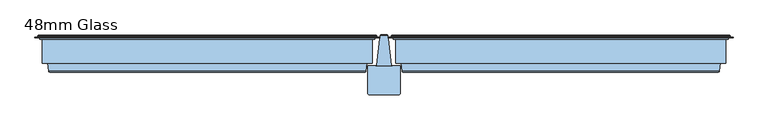
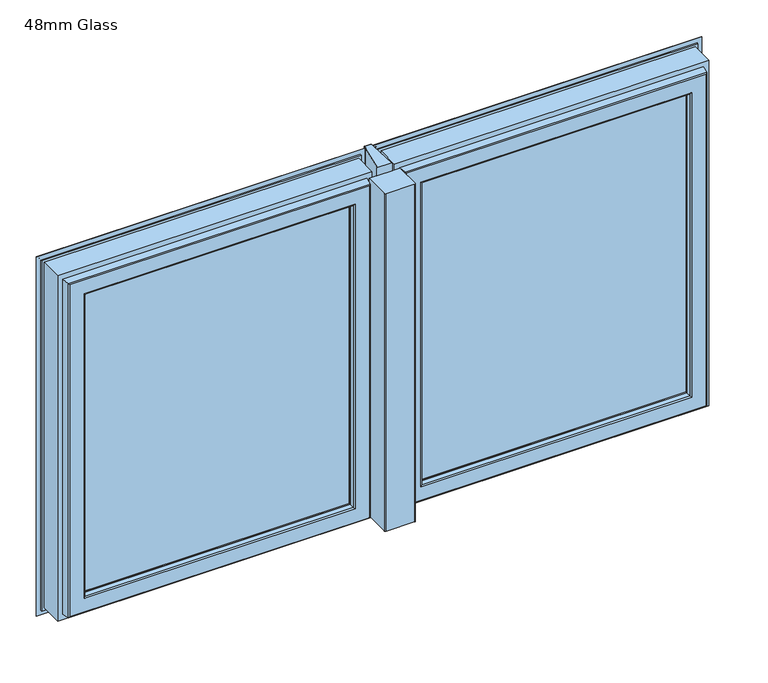
"""IFC4 building model written with IfcOpenShell, lengths in millimetres: window geometry, 48mm Glass."""

from ifc_helpers import new_model, si_unit, frame, origin, place, context, project, spatial, polyline, circle_curve, ellipse_curve, outline, extrude, source, transform, mapped, element, save
from ifc_brep_helpers import plane_surface, cylinder_surface, revolved_surface, advanced_brep


def window_48mm_glass_f120173b(model_context):
    return source(origin(), model_context, "Body", "SolidModel", [
        advanced_brep(
        [(-16.3270879, 91.0, 862.0), (-33.0, 91.0, 862.0), (-33.0, 91.0, 1626.0), (-16.3270879, 91.0, 1626.0), (-33.0, 35.0, 862.0), (-33.0, 35.0, 1626.0), (-30.0, 32.0, 862.0), (30.0, 32.0, 862.0), (30.0, 32.0, 1626.0), (-30.0, 32.0, 1626.0), (33.0, 35.0, 862.0), (33.0, 91.0, 862.0), (33.0, 91.0, 1626.0), (33.0, 35.0, 1626.0), (16.3270879, 91.0, 862.0), (16.3270879, 91.0, 1626.0), (14.8419376, 92.2894565, 843.8416747), (8.1893048, 146.5609347, 837.177975), (8.1893048, 146.5609347, 1650.822025), (14.8419376, 92.2894565, 1644.1583253), (-8.1893048, 146.5609347, 837.177975), (-14.8419376, 92.2894565, 843.8416747), (-14.8419376, 92.2894565, 1644.1583253), (-8.1893048, 146.5609347, 1650.822025), (-16.3270879, 91.0, 844.0), (16.3270879, 91.0, 844.0), (7.4, 153.0, 836.4), (-7.4, 153.0, 836.4), (-6.4, 154.0, 836.4), (6.4, 154.0, 836.4), (-7.4, 148.3029671, 836.9640803), (7.4, 148.3029671, 836.9640803), (16.3270879, 91.0, 1644.0), (-16.3270879, 91.0, 1644.0), (-7.4, 153.0, 1651.6), (7.4, 153.0, 1651.6), (6.4, 154.0, 1651.6), (-6.4, 154.0, 1651.6), (7.4, 148.3029671, 1651.0359197), (-7.4, 148.3029671, 1651.0359197)],
        [
            (0, 1),
            (1, 2),
            (2, 3),
            (3, 0),
            (1, 4),
            (4, 5),
            (5, 2),
            (6, 7),
            (7, 8),
            (8, 9),
            (9, 6),
            (10, 11),
            (11, 12),
            (12, 13),
            (13, 10),
            (11, 14),
            (14, 15),
            (15, 12),
            (16, 17),
            (17, 18),
            (18, 19),
            (19, 16),
            (20, 21),
            (21, 22),
            (22, 23),
            (23, 20),
            (14, 0),
            (0, 24),
            (24, 25),
            (25, 14),
            (10, 7, circle_curve(frame((30.0, 35.0, 862.0), z_axis=(0.0, 0.0, -1.0), x_axis=(1.0, 0.0, 0.0)), 3.0)),
            (6, 4, circle_curve(frame((-30.0, 35.0, 862.0), z_axis=(0.0, 0.0, -1.0), x_axis=(1.0, 0.0, 0.0)), 3.0)),
            (26, 27),
            (27, 28, circle_curve(frame((-6.4, 153.0, 836.4), z_axis=(0.0, 0.0, -1.0), x_axis=(1.0, 0.0, 0.0)), 1.0)),
            (28, 29),
            (29, 26, circle_curve(frame((6.4, 153.0, 836.4), z_axis=(0.0, 0.0, -1.0), x_axis=(1.0, 0.0, 0.0)), 1.0)),
            (24, 21, ellipse_curve(frame((-16.3270879, 92.5, 843.8158232), z_axis=(0.0, 0.12186934340514982, 0.9925461516413218), x_axis=(0.0, 0.992546151641322, -0.12186934340514925)), 1.5112647, 1.5)),
            (20, 30),
            (30, 27),
            (26, 31),
            (31, 17),
            (16, 25, ellipse_curve(frame((16.3270879, 92.5, 843.8158232), z_axis=(0.0, 0.12186934340514982, 0.9925461516413218), x_axis=(0.0, 0.992546151641322, -0.12186934340514925)), 1.5112647, 1.5)),
            (3, 15),
            (15, 32),
            (32, 33),
            (33, 3),
            (5, 9, circle_curve(frame((-30.0, 35.0, 1626.0), z_axis=(0.0, 0.0, 1.0), x_axis=(1.0, 0.0, 0.0)), 3.0)),
            (8, 13, circle_curve(frame((30.0, 35.0, 1626.0), z_axis=(0.0, 0.0, 1.0), x_axis=(1.0, 0.0, 0.0)), 3.0)),
            (34, 35),
            (35, 36, circle_curve(frame((6.4, 153.0, 1651.6), z_axis=(0.0, 0.0, 1.0), x_axis=(1.0, 0.0, 0.0)), 1.0)),
            (36, 37),
            (37, 34, circle_curve(frame((-6.4, 153.0, 1651.6), z_axis=(0.0, 0.0, 1.0), x_axis=(1.0, 0.0, 0.0)), 1.0)),
            (32, 19, ellipse_curve(frame((16.3270879, 92.5, 1644.1841768), z_axis=(0.0, 0.12186934340515176, -0.9925461516413215), x_axis=(0.0, -0.9925461516413217, -0.12186934340515095)), 1.5112647, 1.5)),
            (18, 38),
            (38, 35),
            (34, 39),
            (39, 23),
            (22, 33, ellipse_curve(frame((-16.3270879, 92.5, 1644.1841768), z_axis=(0.0, 0.12186934340515176, -0.9925461516413215), x_axis=(0.0, -0.9925461516413217, -0.12186934340515095)), 1.5112647, 1.5)),
            (31, 38),
            (26, 35),
            (29, 36),
            (28, 37),
            (27, 34),
            (30, 39),
        ],
        [
            plane_surface(frame((-16.3270879, 91.0, 1676.0), z_axis=(0.0, 1.0, 0.0), x_axis=(0.0, 0.0, -1.0))),
            plane_surface(frame((-33.0, 91.0, 1676.0), z_axis=(-1.0, 0.0, 0.0), x_axis=(0.0, 0.0, -1.0))),
            plane_surface(frame((-30.0, 32.0, 1676.0), z_axis=(0.0, -1.0, 0.0), x_axis=(0.0, 0.0, -1.0))),
            plane_surface(frame((33.0, 35.0, 1676.0), z_axis=(1.0, 0.0, 0.0), x_axis=(0.0, 0.0, -1.0))),
            plane_surface(frame((33.0, 91.0, 1676.0), z_axis=(0.0, 1.0, 0.0), x_axis=(0.0, 0.0, -1.0))),
            plane_surface(frame((14.8419376, 92.2894565, 1676.0), z_axis=(0.992570614202236, 0.12166994625706033, 0.0), x_axis=(0.0, 0.0, -1.0))),
            plane_surface(frame((-8.1893048, 146.5609347, 1676.0), z_axis=(-0.9925706142022382, 0.1216699462570421, 0.0), x_axis=(0.0, 0.0, -1.0))),
            plane_surface(frame((250.0, 91.0, 844.0), z_axis=(0.0, -1.0, 0.0), x_axis=(-1.0, 0.0, 0.0))),
            plane_surface(frame((250.0, 91.0, 862.0), z_axis=(0.0, 0.0, -1.0), x_axis=(-1.0, 0.0, 0.0))),
            plane_surface(frame((250.0, 154.0, 836.4), z_axis=(0.0, 0.0, -1.0), x_axis=(-1.0, 0.0, 0.0))),
            plane_surface(frame((250.0, 152.8970329, 836.4), z_axis=(0.0, -0.12186934340514982, -0.9925461516413218), x_axis=(-1.0, 0.0, 0.0))),
            plane_surface(frame((250.0, 91.0, 1626.0), z_axis=(0.0, -1.0, 0.0), x_axis=(-1.0, 0.0, 0.0))),
            plane_surface(frame((250.0, 32.0, 1626.0), z_axis=(0.0, 0.0, 1.0), x_axis=(-1.0, 0.0, 0.0))),
            plane_surface(frame((250.0, 152.8970329, 1651.6), z_axis=(0.0, 0.0, 1.0), x_axis=(-1.0, 0.0, 0.0))),
            plane_surface(frame((250.0, 91.0, 1644.0), z_axis=(0.0, -0.12186934340515176, 0.9925461516413215), x_axis=(-1.0, 0.0, 0.0))),
            revolved_surface(polyline([(-14.827087899999999, 92.5, 843.6316463632995), (-14.827087899999999, 92.5, 1644.3683536367002)]), (-16.3270879, 92.5, 812.0), (0.0, 0.0, -1.0)),
            cylinder_surface(frame((-30.0, 35.0, 812.0), z_axis=(0.0, 0.0, 1.0), x_axis=(1.0, 0.0, 0.0)), 3.0),
            cylinder_surface(frame((30.0, 35.0, 812.0), z_axis=(0.0, 0.0, 1.0), x_axis=(1.0, 0.0, 0.0)), 3.0),
            revolved_surface(polyline([(17.8270879, 92.5, 843.6316463632995), (17.8270879, 92.5, 1644.3683536367002)]), (16.3270879, 92.5, 812.0), (0.0, 0.0, -1.0)),
            plane_surface(frame((8.1893048, 146.5609347, 1676.0), z_axis=(0.9108637981505031, 0.4127070888885235, 0.0), x_axis=(0.0, 0.0, -1.0))),
            plane_surface(frame((7.4, 148.3029671, 1676.0), z_axis=(1.0, 0.0, 0.0), x_axis=(0.0, 0.0, -1.0))),
            cylinder_surface(frame((6.4, 153.0, 812.0), z_axis=(0.0, 0.0, 1.0), x_axis=(1.0, 0.0, 0.0)), 1.0),
            plane_surface(frame((6.4, 154.0, 1676.0), z_axis=(0.0, 1.0, 0.0), x_axis=(0.0, 0.0, -1.0))),
            cylinder_surface(frame((-6.4, 153.0, 812.0), z_axis=(0.0, 0.0, 1.0), x_axis=(1.0, 0.0, 0.0)), 1.0),
            plane_surface(frame((-7.4, 153.0, 1676.0), z_axis=(-1.0, 0.0, 0.0), x_axis=(0.0, 0.0, -1.0))),
            plane_surface(frame((-7.4, 148.3029671, 1676.0), z_axis=(-0.9108637981452258, 0.41270708890017077, 0.0), x_axis=(0.0, 0.0, -1.0))),
        ],
        [
            (0, [[1, 2, 3, 4]]),
            (1, [[5, 6, 7, -2]]),
            (2, [[8, 9, 10, 11]]),
            (3, [[12, 13, 14, 15]]),
            (4, [[16, 17, 18, -13]]),
            (5, [[19, 20, 21, 22]]),
            (6, [[23, 24, 25, 26]]),
            (7, [[27, 28, 29, 30]]),
            (8, [[-27, -16, -12, 31, -8, 32, -5, -1]]),
            (9, [[33, 34, 35, 36]]),
            (10, [[-29, 37, -23, 38, 39, -33, 40, 41, -19, 42]]),
            (11, [[43, 44, 45, 46]]),
            (12, [[-43, -3, -7, 47, -10, 48, -14, -18]]),
            (13, [[49, 50, 51, 52]]),
            (14, [[-45, 53, -21, 54, 55, -49, 56, 57, -25, 58]]),
            (15, [[-28, -4, -46, -58, -24, -37]]),
            (16, [[-32, -11, -47, -6]]),
            (17, [[-31, -15, -48, -9]]),
            (18, [[-30, -42, -22, -53, -44, -17]]),
            (19, [[-41, 59, -54, -20]]),
            (20, [[-40, 60, -55, -59]]),
            (21, [[-36, 61, -50, -60]]),
            (22, [[-35, 62, -51, -61]]),
            (23, [[-34, 63, -52, -62]]),
            (24, [[-39, 64, -56, -63]]),
            (25, [[-38, -26, -57, -64]]),
        ],
    ),
        extrude(outline(polyline([(660.0, 93.0110098), (61.0, 93.0110098), (61.0, 141.0110098), (660.0, 141.0110098), (660.0, 93.0110098)])), frame((0.0, 0.0, 890.0), z_axis=(0.0, 0.0, 1.0), x_axis=(1.0, 0.0, 0.0)), (0.0, 0.0, 1.0), 708.0),
        advanced_brep(
        [(702.5, 148.6168436, 1640.5), (702.5, 145.5999985, 1640.5), (702.5, 145.5999985, 847.5), (702.5, 148.6168436, 847.5), (705.0, 153.0, 1643.0), (706.0, 152.0, 1644.0), (706.0, 152.0, 844.0), (705.0, 153.0, 845.0), (646.0012615, 141.0, 1584.0012615), (646.0012615, 142.3599713, 1584.0012615), (646.0012615, 142.3599713, 903.9987385), (646.0012615, 141.0, 903.9987385), (664.3697055, 93.0110098, 1602.3697055), (670.2620126, 141.0, 1608.2620126), (670.2620126, 141.0, 879.7379874), (664.3697055, 93.0110098, 885.6302945), (646.0013518, 90.0110098, 1584.0013518), (646.0013518, 93.0110098, 1584.0013518), (646.0013518, 93.0110098, 903.9986482), (646.0013518, 90.0110098, 903.9986482), (646.0232044, 88.8030982, 1584.0232044), (647.001352, 90.0110098, 1585.001352), (647.001352, 90.0110098, 902.998648), (646.0232044, 88.8030982, 903.9767956), (647.8120427, 80.376265, 1585.8120427), (647.8120427, 80.376265, 902.1879573), (650.7464855, 78.0, 1588.7464855), (650.7464855, 78.0, 899.2535145), (683.5618051, 79.7562613, 1621.5618051), (681.5767128, 78.0, 1619.5767128), (681.5767128, 78.0, 868.4232872), (683.5618051, 79.7562613, 866.4381949), (685.5562854, 96.0, 1623.5562854), (685.5562854, 96.0, 864.4437146), (697.0, 145.5999985, 1635.0), (697.0, 96.0, 1635.0), (697.0, 96.0, 853.0), (697.0, 145.5999985, 853.0), (18.5, 145.5999985, 847.5), (18.5, 148.6168436, 847.5), (15.0, 152.0, 844.0), (16.0, 153.0, 845.0), (74.9987385, 142.3599713, 903.9987385), (74.9987385, 141.0, 903.9987385), (50.7379874, 141.0, 879.7379874), (56.6302945, 93.0110098, 885.6302945), (74.9986482, 93.0110098, 903.9986482), (74.9986482, 90.0110098, 903.9986482), (73.998648, 90.0110098, 902.998648), (74.9767956, 88.8030982, 903.9767956), (73.1879573, 80.376265, 902.1879573), (70.2535145, 78.0, 899.2535145), (39.4232872, 78.0, 868.4232872), (37.4381949, 79.7562613, 866.4381949), (35.4437146, 96.0, 864.4437146), (24.0, 96.0, 853.0), (24.0, 145.5999985, 853.0), (18.5, 145.5999985, 1640.5), (18.5, 148.6168436, 1640.5), (15.0, 152.0, 1644.0), (16.0, 153.0, 1643.0), (74.9987385, 142.3599713, 1584.0012615), (74.9987385, 141.0, 1584.0012615), (50.7379874, 141.0, 1608.2620126), (56.6302945, 93.0110098, 1602.3697055), (74.9986482, 93.0110098, 1584.0013518), (74.9986482, 90.0110098, 1584.0013518), (73.998648, 90.0110098, 1585.001352), (74.9767956, 88.8030982, 1584.0232044), (73.1879573, 80.376265, 1585.8120427), (70.2535145, 78.0, 1588.7464855), (39.4232872, 78.0, 1619.5767128), (37.4381949, 79.7562613, 1621.5618051), (35.4437146, 96.0, 1623.5562854), (24.0, 96.0, 1635.0), (24.0, 145.5999985, 1635.0), (712.1997151, 149.6865589, 837.8002849), (8.8002849, 149.6865589, 837.8002849), (8.8002849, 149.6865589, 1650.1997151), (712.1997151, 149.6865589, 1650.1997151), (706.0, 149.6865589, 1644.0), (15.0, 149.6865589, 1644.0), (15.0, 149.6865589, 844.0), (706.0, 149.6865589, 844.0), (712.1997151, 148.6168436, 1650.1997151), (712.1997151, 148.6168436, 837.8002849), (8.8002849, 148.6168436, 837.8002849), (8.8002849, 148.6168436, 1650.1997151), (648.8249234, 151.5957532, 1586.8249234), (650.5279664, 153.0, 1588.5279664), (650.5279664, 153.0, 899.4720336), (648.8249234, 151.5957532, 901.1750766), (70.4720336, 153.0, 899.4720336), (72.1750766, 151.5957532, 901.1750766), (70.4720336, 153.0, 1588.5279664), (72.1750766, 151.5957532, 1586.8249234)],
        [
            (0, 1),
            (1, 2),
            (2, 3),
            (3, 0),
            (4, 5, ellipse_curve(frame((705.0, 152.0, 1643.0), z_axis=(0.7071067811865475, 0.0, -0.7071067811865475), x_axis=(0.7071067811865474, 0.0, 0.7071067811865476)), 1.4142136, 1.0)),
            (5, 6),
            (6, 7, ellipse_curve(frame((705.0, 152.0, 845.0), z_axis=(0.7071067811865475, 0.0, 0.7071067811865475), x_axis=(-0.7071067811865474, 0.0, 0.7071067811865476)), 1.4142136, 1.0)),
            (7, 4),
            (8, 9),
            (9, 10),
            (10, 11),
            (11, 8),
            (12, 13),
            (13, 14),
            (14, 15),
            (15, 12),
            (16, 17),
            (17, 18),
            (18, 19),
            (19, 16),
            (20, 21, ellipse_curve(frame((647.001352, 89.0110098, 1585.001352), z_axis=(0.7071067811865475, 0.0, -0.7071067811865475), x_axis=(0.7071067811865474, 0.0, 0.7071067811865476)), 1.4142136, 1.0)),
            (21, 22),
            (22, 23, ellipse_curve(frame((647.001352, 89.0110098, 902.998648), z_axis=(0.7071067811865475, 0.0, 0.7071067811865475), x_axis=(-0.7071067811865474, 0.0, 0.7071067811865476)), 1.4142136, 1.0)),
            (23, 20),
            (24, 20),
            (23, 25),
            (25, 24),
            (26, 24, ellipse_curve(frame((650.7464855, 81.0, 1588.7464855), z_axis=(0.7071067811865475, 0.0, -0.7071067811865475), x_axis=(0.7071067811865474, 0.0, 0.7071067811865476)), 4.2426407, 3.0)),
            (25, 27, ellipse_curve(frame((650.7464855, 81.0, 899.2535145), z_axis=(0.7071067811865475, 0.0, 0.7071067811865475), x_axis=(-0.7071067811865474, 0.0, 0.7071067811865476)), 4.2426407, 3.0)),
            (27, 26),
            (28, 29, ellipse_curve(frame((681.5767128, 80.0, 1619.5767128), z_axis=(0.7071067811865475, 0.0, -0.7071067811865475), x_axis=(0.7071067811865474, 0.0, 0.7071067811865476)), 2.8284271, 2.0)),
            (29, 30),
            (30, 31, ellipse_curve(frame((681.5767128, 80.0, 868.4232872), z_axis=(0.7071067811865475, 0.0, 0.7071067811865475), x_axis=(-0.7071067811865474, 0.0, 0.7071067811865476)), 2.8284271, 2.0)),
            (31, 28),
            (32, 28),
            (31, 33),
            (33, 32),
            (34, 35),
            (35, 36),
            (36, 37),
            (37, 34),
            (2, 38),
            (38, 39),
            (39, 3),
            (6, 40),
            (40, 41, ellipse_curve(frame((16.0, 152.0, 845.0), z_axis=(0.7071067811865475, 0.0, -0.7071067811865475), x_axis=(0.7071067811865476, 0.0, 0.7071067811865474)), 1.4142136, 1.0)),
            (41, 7),
            (10, 42),
            (42, 43),
            (43, 11),
            (14, 44),
            (44, 45),
            (45, 15),
            (18, 46),
            (46, 47),
            (47, 19),
            (22, 48),
            (48, 49, ellipse_curve(frame((73.998648, 89.0110098, 902.998648), z_axis=(0.7071067811865475, 0.0, -0.7071067811865475), x_axis=(0.7071067811865476, 0.0, 0.7071067811865474)), 1.4142136, 1.0)),
            (49, 23),
            (49, 50),
            (50, 25),
            (50, 51, ellipse_curve(frame((70.2535145, 81.0, 899.2535145), z_axis=(0.7071067811865475, 0.0, -0.7071067811865475), x_axis=(0.7071067811865476, 0.0, 0.7071067811865474)), 4.2426407, 3.0)),
            (51, 27),
            (30, 52),
            (52, 53, ellipse_curve(frame((39.4232872, 80.0, 868.4232872), z_axis=(0.7071067811865475, 0.0, -0.7071067811865475), x_axis=(0.7071067811865476, 0.0, 0.7071067811865474)), 2.8284271, 2.0)),
            (53, 31),
            (53, 54),
            (54, 33),
            (36, 55),
            (55, 56),
            (56, 37),
            (38, 57),
            (57, 58),
            (58, 39),
            (40, 59),
            (59, 60, ellipse_curve(frame((16.0, 152.0, 1643.0), z_axis=(-0.7071067811865475, 0.0, -0.7071067811865475), x_axis=(0.7071067811865474, 0.0, -0.7071067811865476)), 1.4142136, 1.0)),
            (60, 41),
            (42, 61),
            (61, 62),
            (62, 43),
            (44, 63),
            (63, 64),
            (64, 45),
            (46, 65),
            (65, 66),
            (66, 47),
            (48, 67),
            (67, 68, ellipse_curve(frame((73.998648, 89.0110098, 1585.001352), z_axis=(-0.7071067811865475, 0.0, -0.7071067811865475), x_axis=(0.7071067811865474, 0.0, -0.7071067811865476)), 1.4142136, 1.0)),
            (68, 49),
            (68, 69),
            (69, 50),
            (69, 70, ellipse_curve(frame((70.2535145, 81.0, 1588.7464855), z_axis=(-0.7071067811865475, 0.0, -0.7071067811865475), x_axis=(0.7071067811865474, 0.0, -0.7071067811865476)), 4.2426407, 3.0)),
            (70, 51),
            (52, 71),
            (71, 72, ellipse_curve(frame((39.4232872, 80.0, 1619.5767128), z_axis=(-0.7071067811865475, 0.0, -0.7071067811865475), x_axis=(0.7071067811865474, 0.0, -0.7071067811865476)), 2.8284271, 2.0)),
            (72, 53),
            (72, 73),
            (73, 54),
            (55, 74),
            (74, 75),
            (75, 56),
            (1, 57),
            (75, 34),
            (0, 58),
            (76, 77),
            (77, 78),
            (78, 79),
            (79, 76),
            (80, 81),
            (81, 82),
            (82, 83),
            (83, 80),
            (59, 5),
            (4, 60),
            (61, 9),
            (8, 62),
            (13, 63),
            (12, 64),
            (17, 65),
            (16, 66),
            (21, 67),
            (20, 68),
            (24, 69),
            (26, 70),
            (29, 71),
            (28, 72),
            (32, 73),
            (35, 74),
            (79, 84),
            (84, 85),
            (85, 76),
            (5, 80),
            (83, 6),
            (85, 86),
            (86, 77),
            (82, 40),
            (86, 87),
            (87, 78),
            (81, 59),
            (84, 87),
            (88, 89, ellipse_curve(frame((650.7375329, 151.0110098, 1588.7375329), z_axis=(0.7071067811865475, 0.0, -0.7071067811865475), x_axis=(0.7071067811865474, 0.0, 0.7071067811865476)), 2.8284271, 2.0)),
            (89, 90),
            (90, 91, ellipse_curve(frame((650.7375329, 151.0110098, 899.2624671), z_axis=(0.7071067811865475, 0.0, 0.7071067811865475), x_axis=(-0.7071067811865474, 0.0, 0.7071067811865476)), 2.8284271, 2.0)),
            (91, 88),
            (9, 88),
            (91, 10),
            (90, 92),
            (92, 93, ellipse_curve(frame((70.2624671, 151.0110098, 899.2624671), z_axis=(0.7071067811865475, 0.0, -0.7071067811865475), x_axis=(0.7071067811865476, 0.0, 0.7071067811865474)), 2.8284271, 2.0)),
            (93, 91),
            (93, 42),
            (92, 94),
            (94, 95, ellipse_curve(frame((70.2624671, 151.0110098, 1588.7375329), z_axis=(-0.7071067811865475, 0.0, -0.7071067811865475), x_axis=(0.7071067811865474, 0.0, -0.7071067811865476)), 2.8284271, 2.0)),
            (95, 93),
            (95, 61),
            (89, 94),
            (88, 95),
        ],
        [
            plane_surface(frame((702.5, 145.5999985, 1640.5), z_axis=(1.0, 0.0, 0.0), x_axis=(0.0, 0.0, -1.0))),
            cylinder_surface(frame((705.0, 152.0, 1635.0), z_axis=(0.0, 0.0, 1.0), x_axis=(0.0, -1.0, 0.0)), 1.0),
            plane_surface(frame((646.0012615, 142.3599713, 1584.0012615), z_axis=(-1.0, 0.0, 0.0), x_axis=(0.0, 0.0, -1.0))),
            plane_surface(frame((670.2620126, 141.0, 1608.2620126), z_axis=(-0.9925461516413232, 0.12186934340513839, 0.0), x_axis=(0.0, 0.0, -1.0))),
            plane_surface(frame((646.0013518, 93.0110098, 1584.0013518), z_axis=(-1.0, 0.0, 0.0), x_axis=(0.0, 0.0, -1.0))),
            cylinder_surface(frame((647.001352, 89.0110098, 1635.0), z_axis=(0.0, 0.0, 1.0), x_axis=(0.0, -1.0, 0.0)), 1.0),
            plane_surface(frame((646.0232044, 88.8030982, 1584.0232044), z_axis=(-0.9782028159557521, -0.2076517538000511, 0.0), x_axis=(0.0, 0.0, -1.0))),
            cylinder_surface(frame((650.7464855, 81.0, 1635.0), z_axis=(0.0, 0.0, 1.0), x_axis=(0.0, -1.0, 0.0)), 3.0),
            cylinder_surface(frame((681.5767128, 80.0, 1635.0), z_axis=(0.0, 0.0, 1.0), x_axis=(0.0, -1.0, 0.0)), 2.0),
            plane_surface(frame((683.5618051, 79.7562613, 1621.5618051), z_axis=(0.9925461516416152, -0.12186934340276044, 0.0), x_axis=(0.0, 0.0, -1.0))),
            plane_surface(frame((697.0, 96.0, 1635.0), z_axis=(1.0, 0.0, 0.0), x_axis=(0.0, 0.0, -1.0))),
            plane_surface(frame((702.5, 145.5999985, 847.5), z_axis=(0.0, 0.0, -1.0), x_axis=(-1.0, 0.0, 0.0))),
            cylinder_surface(frame((697.0, 152.0, 845.0), z_axis=(1.0, 0.0, 0.0), x_axis=(0.0, -1.0, 0.0)), 1.0),
            plane_surface(frame((646.0012615, 142.3599713, 903.9987385), z_axis=(0.0, 0.0, 1.0), x_axis=(-1.0, 0.0, 0.0))),
            plane_surface(frame((670.2620126, 141.0, 879.7379874), z_axis=(0.0, 0.12186934340513839, 0.9925461516413232), x_axis=(-1.0, 0.0, 0.0))),
            plane_surface(frame((646.0013518, 93.0110098, 903.9986482), z_axis=(0.0, 0.0, 1.0), x_axis=(-1.0, 0.0, 0.0))),
            cylinder_surface(frame((697.0, 89.0110098, 902.998648), z_axis=(1.0, 0.0, 0.0), x_axis=(0.0, -1.0, 0.0)), 1.0),
            plane_surface(frame((646.0232044, 88.8030982, 903.9767956), z_axis=(0.0, -0.2076517538000511, 0.9782028159557521), x_axis=(-1.0, 0.0, 0.0))),
            cylinder_surface(frame((697.0, 81.0, 899.2535145), z_axis=(1.0, 0.0, 0.0), x_axis=(0.0, -1.0, 0.0)), 3.0),
            cylinder_surface(frame((697.0, 80.0, 868.4232872), z_axis=(1.0, 0.0, 0.0), x_axis=(0.0, -1.0, 0.0)), 2.0),
            plane_surface(frame((683.5618051, 79.7562613, 866.4381949), z_axis=(0.0, -0.12186934340276044, -0.9925461516416152), x_axis=(-1.0, 0.0, 0.0))),
            plane_surface(frame((697.0, 96.0, 853.0), z_axis=(0.0, 0.0, -1.0), x_axis=(-1.0, 0.0, 0.0))),
            plane_surface(frame((18.5, 145.5999985, 847.5), z_axis=(-1.0, 0.0, 0.0), x_axis=(0.0, 0.0, 1.0))),
            cylinder_surface(frame((16.0, 152.0, 853.0), z_axis=(0.0, 0.0, -1.0), x_axis=(0.0, -1.0, 0.0)), 1.0),
            plane_surface(frame((74.9987385, 142.3599713, 903.9987385), z_axis=(1.0, 0.0, 0.0), x_axis=(0.0, 0.0, 1.0))),
            plane_surface(frame((50.7379874, 141.0, 879.7379874), z_axis=(0.9925461516413232, 0.12186934340513839, 0.0), x_axis=(0.0, 0.0, 1.0))),
            plane_surface(frame((74.9986482, 93.0110098, 903.9986482), z_axis=(1.0, 0.0, 0.0), x_axis=(0.0, 0.0, 1.0))),
            cylinder_surface(frame((73.998648, 89.0110098, 853.0), z_axis=(0.0, 0.0, -1.0), x_axis=(0.0, -1.0, 0.0)), 1.0),
            plane_surface(frame((74.9767956, 88.8030982, 903.9767956), z_axis=(0.9782028159557521, -0.2076517538000511, 0.0), x_axis=(0.0, 0.0, 1.0))),
            cylinder_surface(frame((70.2535145, 81.0, 853.0), z_axis=(0.0, 0.0, -1.0), x_axis=(0.0, -1.0, 0.0)), 3.0),
            cylinder_surface(frame((39.4232872, 80.0, 853.0), z_axis=(0.0, 0.0, -1.0), x_axis=(0.0, -1.0, 0.0)), 2.0),
            plane_surface(frame((37.4381949, 79.7562613, 866.4381949), z_axis=(-0.9925461516416152, -0.12186934340276044, 0.0), x_axis=(0.0, 0.0, 1.0))),
            plane_surface(frame((24.0, 96.0, 853.0), z_axis=(-1.0, 0.0, 0.0), x_axis=(0.0, 0.0, 1.0))),
            plane_surface(frame((24.0, 145.5999985, 1635.0), z_axis=(0.0, -1.0, 0.0), x_axis=(1.0, 0.0, 0.0))),
            plane_surface(frame((18.5, 145.5999985, 1640.5), z_axis=(0.0, 0.0, 1.0), x_axis=(1.0, 0.0, 0.0))),
            plane_surface(frame((8.8002849, 149.6865589, 1650.1997151), z_axis=(0.0, 1.0, 0.0), x_axis=(1.0, 0.0, 0.0))),
            cylinder_surface(frame((24.0, 152.0, 1643.0), z_axis=(-1.0, 0.0, 0.0), x_axis=(0.0, -1.0, 0.0)), 1.0),
            plane_surface(frame((74.9987385, 142.3599713, 1584.0012615), z_axis=(0.0, 0.0, -1.0), x_axis=(1.0, 0.0, 0.0))),
            plane_surface(frame((74.9987385, 141.0, 1584.0012615), z_axis=(0.0, -1.0, 0.0), x_axis=(1.0, 0.0, 0.0))),
            plane_surface(frame((50.7379874, 141.0, 1608.2620126), z_axis=(0.0, 0.12186934340513839, -0.9925461516413232), x_axis=(1.0, 0.0, 0.0))),
            plane_surface(frame((56.6302945, 93.0110098, 1602.3697055), z_axis=(0.0, 1.0, 0.0), x_axis=(1.0, 0.0, 0.0))),
            plane_surface(frame((74.9986482, 93.0110098, 1584.0013518), z_axis=(0.0, 0.0, -1.0), x_axis=(1.0, 0.0, 0.0))),
            plane_surface(frame((74.9986482, 90.0110098, 1584.0013518), z_axis=(0.0, -1.0, 0.0), x_axis=(1.0, 0.0, 0.0))),
            cylinder_surface(frame((24.0, 89.0110098, 1585.001352), z_axis=(-1.0, 0.0, 0.0), x_axis=(0.0, -1.0, 0.0)), 1.0),
            plane_surface(frame((74.9767956, 88.8030982, 1584.0232044), z_axis=(0.0, -0.2076517538000511, -0.9782028159557521), x_axis=(1.0, 0.0, 0.0))),
            cylinder_surface(frame((24.0, 81.0, 1588.7464855), z_axis=(-1.0, 0.0, 0.0), x_axis=(0.0, -1.0, 0.0)), 3.0),
            plane_surface(frame((70.2535145, 78.0, 1588.7464855), z_axis=(0.0, -1.0, 0.0), x_axis=(1.0, 0.0, 0.0))),
            cylinder_surface(frame((24.0, 80.0, 1619.5767128), z_axis=(-1.0, 0.0, 0.0), x_axis=(0.0, -1.0, 0.0)), 2.0),
            plane_surface(frame((37.4381949, 79.7562613, 1621.5618051), z_axis=(0.0, -0.12186934340276044, 0.9925461516416152), x_axis=(1.0, 0.0, 0.0))),
            plane_surface(frame((35.4437146, 96.0, 1623.5562854), z_axis=(0.0, -1.0, 0.0), x_axis=(1.0, 0.0, 0.0))),
            plane_surface(frame((24.0, 96.0, 1635.0), z_axis=(0.0, 0.0, 1.0), x_axis=(1.0, 0.0, 0.0))),
            plane_surface(frame((712.1997151, 148.6168436, 1650.1997151), z_axis=(1.0, 0.0, 0.0), x_axis=(0.0, 0.0, -1.0))),
            plane_surface(frame((706.0, 149.6865589, 1644.0), z_axis=(1.0, 0.0, 0.0), x_axis=(0.0, 0.0, -1.0))),
            plane_surface(frame((712.1997151, 148.6168436, 837.8002849), z_axis=(0.0, 0.0, -1.0), x_axis=(-1.0, 0.0, 0.0))),
            plane_surface(frame((706.0, 149.6865589, 844.0), z_axis=(0.0, 0.0, -1.0), x_axis=(-1.0, 0.0, 0.0))),
            plane_surface(frame((8.8002849, 148.6168436, 837.8002849), z_axis=(-1.0, 0.0, 0.0), x_axis=(0.0, 0.0, 1.0))),
            plane_surface(frame((15.0, 149.6865589, 844.0), z_axis=(-1.0, 0.0, 0.0), x_axis=(0.0, 0.0, 1.0))),
            plane_surface(frame((18.5, 148.6168436, 1640.5), z_axis=(0.0, -1.0, 0.0), x_axis=(1.0, 0.0, 0.0))),
            plane_surface(frame((8.8002849, 148.6168436, 1650.1997151), z_axis=(0.0, 0.0, 1.0), x_axis=(1.0, 0.0, 0.0))),
            plane_surface(frame((15.0, 149.6865589, 1644.0), z_axis=(0.0, 0.0, 1.0), x_axis=(1.0, 0.0, 0.0))),
            cylinder_surface(frame((650.7375329, 151.0110098, 1635.0), z_axis=(0.0, 0.0, 1.0), x_axis=(0.0, -1.0, 0.0)), 2.0),
            plane_surface(frame((648.8249234, 151.5957532, 1586.8249234), z_axis=(-0.9563047559630313, 0.2923717047227505, 0.0), x_axis=(0.0, 0.0, -1.0))),
            cylinder_surface(frame((697.0, 151.0110098, 899.2624671), z_axis=(1.0, 0.0, 0.0), x_axis=(0.0, -1.0, 0.0)), 2.0),
            plane_surface(frame((648.8249234, 151.5957532, 901.1750766), z_axis=(0.0, 0.2923717047227505, 0.9563047559630313), x_axis=(-1.0, 0.0, 0.0))),
            cylinder_surface(frame((70.2624671, 151.0110098, 853.0), z_axis=(0.0, 0.0, -1.0), x_axis=(0.0, -1.0, 0.0)), 2.0),
            plane_surface(frame((72.1750766, 151.5957532, 901.1750766), z_axis=(0.9563047559630313, 0.2923717047227505, 0.0), x_axis=(0.0, 0.0, 1.0))),
            plane_surface(frame((16.0, 153.0, 1643.0), z_axis=(0.0, 1.0, 0.0), x_axis=(1.0, 0.0, 0.0))),
            cylinder_surface(frame((24.0, 151.0110098, 1588.7375329), z_axis=(-1.0, 0.0, 0.0), x_axis=(0.0, -1.0, 0.0)), 2.0),
            plane_surface(frame((72.1750766, 151.5957532, 1586.8249234), z_axis=(0.0, 0.2923717047227505, -0.9563047559630313), x_axis=(1.0, 0.0, 0.0))),
        ],
        [
            (0, [[1, 2, 3, 4]]),
            (1, [[5, 6, 7, 8]]),
            (2, [[9, 10, 11, 12]]),
            (3, [[13, 14, 15, 16]]),
            (4, [[17, 18, 19, 20]]),
            (5, [[21, 22, 23, 24]]),
            (6, [[25, -24, 26, 27]]),
            (7, [[28, -27, 29, 30]]),
            (8, [[31, 32, 33, 34]]),
            (9, [[35, -34, 36, 37]]),
            (10, [[38, 39, 40, 41]]),
            (11, [[-3, 42, 43, 44]]),
            (12, [[-7, 45, 46, 47]]),
            (13, [[-11, 48, 49, 50]]),
            (14, [[-15, 51, 52, 53]]),
            (15, [[-19, 54, 55, 56]]),
            (16, [[-23, 57, 58, 59]]),
            (17, [[-26, -59, 60, 61]]),
            (18, [[-29, -61, 62, 63]]),
            (19, [[-33, 64, 65, 66]]),
            (20, [[-36, -66, 67, 68]]),
            (21, [[-40, 69, 70, 71]]),
            (22, [[-43, 72, 73, 74]]),
            (23, [[-46, 75, 76, 77]]),
            (24, [[-49, 78, 79, 80]]),
            (25, [[-52, 81, 82, 83]]),
            (26, [[-55, 84, 85, 86]]),
            (27, [[-58, 87, 88, 89]]),
            (28, [[-60, -89, 90, 91]]),
            (29, [[-62, -91, 92, 93]]),
            (30, [[-65, 94, 95, 96]]),
            (31, [[-67, -96, 97, 98]]),
            (32, [[-70, 99, 100, 101]]),
            (33, [[102, -72, -42, -2], [-71, -101, 103, -41]]),
            (34, [[-73, -102, -1, 104]]),
            (35, [[105, 106, 107, 108], [109, 110, 111, 112]]),
            (36, [[-76, 113, -5, 114]]),
            (37, [[-79, 115, -9, 116]]),
            (38, [[117, -81, -51, -14], [-50, -80, -116, -12]]),
            (39, [[-82, -117, -13, 118]]),
            (40, [[-53, -83, -118, -16], [119, -84, -54, -18]]),
            (41, [[-85, -119, -17, 120]]),
            (42, [[121, -87, -57, -22], [-56, -86, -120, -20]]),
            (43, [[-88, -121, -21, 122]]),
            (44, [[-90, -122, -25, 123]]),
            (45, [[-92, -123, -28, 124]]),
            (46, [[125, -94, -64, -32], [-63, -93, -124, -30]]),
            (47, [[-95, -125, -31, 126]]),
            (48, [[-97, -126, -35, 127]]),
            (49, [[128, -99, -69, -39], [-68, -98, -127, -37]]),
            (50, [[-100, -128, -38, -103]]),
            (51, [[129, 130, 131, -108]]),
            (52, [[132, -112, 133, -6]]),
            (53, [[-131, 134, 135, -105]]),
            (54, [[-133, -111, 136, -45]]),
            (55, [[-135, 137, 138, -106]]),
            (56, [[-136, -110, 139, -75]]),
            (57, [[140, -137, -134, -130], [-44, -74, -104, -4]]),
            (58, [[-138, -140, -129, -107]]),
            (59, [[-139, -109, -132, -113]]),
            (60, [[141, 142, 143, 144]]),
            (61, [[145, -144, 146, -10]]),
            (62, [[-143, 147, 148, 149]]),
            (63, [[-146, -149, 150, -48]]),
            (64, [[-148, 151, 152, 153]]),
            (65, [[-150, -153, 154, -78]]),
            (66, [[-47, -77, -114, -8], [155, -151, -147, -142]]),
            (67, [[-152, -155, -141, 156]]),
            (68, [[-154, -156, -145, -115]]),
        ],
    ),
        extrude(outline(polyline([(-61.0, 93.0110098), (-660.0, 93.0110098), (-660.0, 141.0110098), (-61.0, 141.0110098), (-61.0, 93.0110098)])), frame((0.0, 0.0, 890.0), z_axis=(0.0, 0.0, 1.0), x_axis=(1.0, 0.0, 0.0)), (0.0, 0.0, 1.0), 708.0),
        advanced_brep(
        [(-18.5, 148.6168436, 1640.5), (-18.5, 145.5999985, 1640.5), (-18.5, 145.5999985, 847.5), (-18.5, 148.6168436, 847.5), (-16.0, 153.0, 1643.0), (-15.0, 152.0, 1644.0), (-15.0, 152.0, 844.0), (-16.0, 153.0, 845.0), (-74.9987385, 141.0, 1584.0012615), (-74.9987385, 142.3599713, 1584.0012615), (-74.9987385, 142.3599713, 903.9987385), (-74.9987385, 141.0, 903.9987385), (-56.6302945, 93.0110098, 1602.3697055), (-50.7379874, 141.0, 1608.2620126), (-50.7379874, 141.0, 879.7379874), (-56.6302945, 93.0110098, 885.6302945), (-74.9986482, 90.0110098, 1584.0013518), (-74.9986482, 93.0110098, 1584.0013518), (-74.9986482, 93.0110098, 903.9986482), (-74.9986482, 90.0110098, 903.9986482), (-74.9767956, 88.8030982, 1584.0232044), (-73.998648, 90.0110098, 1585.001352), (-73.998648, 90.0110098, 902.998648), (-74.9767956, 88.8030982, 903.9767956), (-73.1879573, 80.376265, 1585.8120427), (-73.1879573, 80.376265, 902.1879573), (-70.2535145, 78.0, 1588.7464855), (-70.2535145, 78.0, 899.2535145), (-37.4381949, 79.7562613, 1621.5618051), (-39.4232872, 78.0, 1619.5767128), (-39.4232872, 78.0, 868.4232872), (-37.4381949, 79.7562613, 866.4381949), (-35.4437146, 96.0, 1623.5562854), (-35.4437146, 96.0, 864.4437146), (-24.0, 145.5999985, 1635.0), (-24.0, 96.0, 1635.0), (-24.0, 96.0, 853.0), (-24.0, 145.5999985, 853.0), (-702.5, 145.5999985, 847.5), (-702.5, 148.6168436, 847.5), (-706.0, 152.0, 844.0), (-705.0, 153.0, 845.0), (-646.0012615, 142.3599713, 903.9987385), (-646.0012615, 141.0, 903.9987385), (-670.2620126, 141.0, 879.7379874), (-664.3697055, 93.0110098, 885.6302945), (-646.0013518, 93.0110098, 903.9986482), (-646.0013518, 90.0110098, 903.9986482), (-647.001352, 90.0110098, 902.998648), (-646.0232044, 88.8030982, 903.9767956), (-647.8120427, 80.376265, 902.1879573), (-650.7464855, 78.0, 899.2535145), (-681.5767128, 78.0, 868.4232872), (-683.5618051, 79.7562613, 866.4381949), (-685.5562854, 96.0, 864.4437146), (-697.0, 96.0, 853.0), (-697.0, 145.5999985, 853.0), (-702.5, 145.5999985, 1640.5), (-702.5, 148.6168436, 1640.5), (-706.0, 152.0, 1644.0), (-705.0, 153.0, 1643.0), (-646.0012615, 142.3599713, 1584.0012615), (-646.0012615, 141.0, 1584.0012615), (-670.2620126, 141.0, 1608.2620126), (-664.3697055, 93.0110098, 1602.3697055), (-646.0013518, 93.0110098, 1584.0013518), (-646.0013518, 90.0110098, 1584.0013518), (-647.001352, 90.0110098, 1585.001352), (-646.0232044, 88.8030982, 1584.0232044), (-647.8120427, 80.376265, 1585.8120427), (-650.7464855, 78.0, 1588.7464855), (-681.5767128, 78.0, 1619.5767128), (-683.5618051, 79.7562613, 1621.5618051), (-685.5562854, 96.0, 1623.5562854), (-697.0, 96.0, 1635.0), (-697.0, 145.5999985, 1635.0), (-8.8002849, 149.6865589, 837.8002849), (-712.1997151, 149.6865589, 837.8002849), (-712.1997151, 149.6865589, 1650.1997151), (-8.8002849, 149.6865589, 1650.1997151), (-15.0, 149.6865589, 1644.0), (-706.0, 149.6865589, 1644.0), (-706.0, 149.6865589, 844.0), (-15.0, 149.6865589, 844.0), (-8.8002849, 148.6168436, 1650.1997151), (-8.8002849, 148.6168436, 837.8002849), (-712.1997151, 148.6168436, 837.8002849), (-712.1997151, 148.6168436, 1650.1997151), (-72.1750766, 151.5957532, 1586.8249234), (-70.4720336, 153.0, 1588.5279664), (-70.4720336, 153.0, 899.4720336), (-72.1750766, 151.5957532, 901.1750766), (-650.5279664, 153.0, 899.4720336), (-648.8249234, 151.5957532, 901.1750766), (-650.5279664, 153.0, 1588.5279664), (-648.8249234, 151.5957532, 1586.8249234)],
        [
            (0, 1),
            (1, 2),
            (2, 3),
            (3, 0),
            (4, 5, ellipse_curve(frame((-16.0, 152.0, 1643.0), z_axis=(0.7071067811865475, 0.0, -0.7071067811865475), x_axis=(0.7071067811865474, 0.0, 0.7071067811865476)), 1.4142136, 1.0)),
            (5, 6),
            (6, 7, ellipse_curve(frame((-16.0, 152.0, 845.0), z_axis=(0.7071067811865475, 0.0, 0.7071067811865475), x_axis=(-0.7071067811865474, 0.0, 0.7071067811865476)), 1.4142136, 1.0)),
            (7, 4),
            (8, 9),
            (9, 10),
            (10, 11),
            (11, 8),
            (12, 13),
            (13, 14),
            (14, 15),
            (15, 12),
            (16, 17),
            (17, 18),
            (18, 19),
            (19, 16),
            (20, 21, ellipse_curve(frame((-73.998648, 89.0110098, 1585.001352), z_axis=(0.7071067811865475, 0.0, -0.7071067811865475), x_axis=(0.7071067811865474, 0.0, 0.7071067811865476)), 1.4142136, 1.0)),
            (21, 22),
            (22, 23, ellipse_curve(frame((-73.998648, 89.0110098, 902.998648), z_axis=(0.7071067811865475, 0.0, 0.7071067811865475), x_axis=(-0.7071067811865474, 0.0, 0.7071067811865476)), 1.4142136, 1.0)),
            (23, 20),
            (24, 20),
            (23, 25),
            (25, 24),
            (26, 24, ellipse_curve(frame((-70.2535145, 81.0, 1588.7464855), z_axis=(0.7071067811865475, 0.0, -0.7071067811865475), x_axis=(0.7071067811865474, 0.0, 0.7071067811865476)), 4.2426407, 3.0)),
            (25, 27, ellipse_curve(frame((-70.2535145, 81.0, 899.2535145), z_axis=(0.7071067811865475, 0.0, 0.7071067811865475), x_axis=(-0.7071067811865474, 0.0, 0.7071067811865476)), 4.2426407, 3.0)),
            (27, 26),
            (28, 29, ellipse_curve(frame((-39.4232872, 80.0, 1619.5767128), z_axis=(0.7071067811865475, 0.0, -0.7071067811865475), x_axis=(0.7071067811865474, 0.0, 0.7071067811865476)), 2.8284271, 2.0)),
            (29, 30),
            (30, 31, ellipse_curve(frame((-39.4232872, 80.0, 868.4232872), z_axis=(0.7071067811865475, 0.0, 0.7071067811865475), x_axis=(-0.7071067811865474, 0.0, 0.7071067811865476)), 2.8284271, 2.0)),
            (31, 28),
            (32, 28),
            (31, 33),
            (33, 32),
            (34, 35),
            (35, 36),
            (36, 37),
            (37, 34),
            (2, 38),
            (38, 39),
            (39, 3),
            (6, 40),
            (40, 41, ellipse_curve(frame((-705.0, 152.0, 845.0), z_axis=(0.7071067811865475, 0.0, -0.7071067811865475), x_axis=(0.7071067811865476, 0.0, 0.7071067811865474)), 1.4142136, 1.0)),
            (41, 7),
            (10, 42),
            (42, 43),
            (43, 11),
            (14, 44),
            (44, 45),
            (45, 15),
            (18, 46),
            (46, 47),
            (47, 19),
            (22, 48),
            (48, 49, ellipse_curve(frame((-647.001352, 89.0110098, 902.998648), z_axis=(0.7071067811865475, 0.0, -0.7071067811865475), x_axis=(0.7071067811865476, 0.0, 0.7071067811865474)), 1.4142136, 1.0)),
            (49, 23),
            (49, 50),
            (50, 25),
            (50, 51, ellipse_curve(frame((-650.7464855, 81.0, 899.2535145), z_axis=(0.7071067811865475, 0.0, -0.7071067811865475), x_axis=(0.7071067811865476, 0.0, 0.7071067811865474)), 4.2426407, 3.0)),
            (51, 27),
            (30, 52),
            (52, 53, ellipse_curve(frame((-681.5767128, 80.0, 868.4232872), z_axis=(0.7071067811865475, 0.0, -0.7071067811865475), x_axis=(0.7071067811865476, 0.0, 0.7071067811865474)), 2.8284271, 2.0)),
            (53, 31),
            (53, 54),
            (54, 33),
            (36, 55),
            (55, 56),
            (56, 37),
            (38, 57),
            (57, 58),
            (58, 39),
            (40, 59),
            (59, 60, ellipse_curve(frame((-705.0, 152.0, 1643.0), z_axis=(-0.7071067811865475, 0.0, -0.7071067811865475), x_axis=(0.7071067811865474, 0.0, -0.7071067811865476)), 1.4142136, 1.0)),
            (60, 41),
            (42, 61),
            (61, 62),
            (62, 43),
            (44, 63),
            (63, 64),
            (64, 45),
            (46, 65),
            (65, 66),
            (66, 47),
            (48, 67),
            (67, 68, ellipse_curve(frame((-647.001352, 89.0110098, 1585.001352), z_axis=(-0.7071067811865475, 0.0, -0.7071067811865475), x_axis=(0.7071067811865474, 0.0, -0.7071067811865476)), 1.4142136, 1.0)),
            (68, 49),
            (68, 69),
            (69, 50),
            (69, 70, ellipse_curve(frame((-650.7464855, 81.0, 1588.7464855), z_axis=(-0.7071067811865475, 0.0, -0.7071067811865475), x_axis=(0.7071067811865474, 0.0, -0.7071067811865476)), 4.2426407, 3.0)),
            (70, 51),
            (52, 71),
            (71, 72, ellipse_curve(frame((-681.5767128, 80.0, 1619.5767128), z_axis=(-0.7071067811865475, 0.0, -0.7071067811865475), x_axis=(0.7071067811865474, 0.0, -0.7071067811865476)), 2.8284271, 2.0)),
            (72, 53),
            (72, 73),
            (73, 54),
            (55, 74),
            (74, 75),
            (75, 56),
            (1, 57),
            (75, 34),
            (0, 58),
            (76, 77),
            (77, 78),
            (78, 79),
            (79, 76),
            (80, 81),
            (81, 82),
            (82, 83),
            (83, 80),
            (59, 5),
            (4, 60),
            (61, 9),
            (8, 62),
            (13, 63),
            (12, 64),
            (17, 65),
            (16, 66),
            (21, 67),
            (20, 68),
            (24, 69),
            (26, 70),
            (29, 71),
            (28, 72),
            (32, 73),
            (35, 74),
            (79, 84),
            (84, 85),
            (85, 76),
            (5, 80),
            (83, 6),
            (85, 86),
            (86, 77),
            (82, 40),
            (86, 87),
            (87, 78),
            (81, 59),
            (84, 87),
            (88, 89, ellipse_curve(frame((-70.2624671, 151.0110098, 1588.7375329), z_axis=(0.7071067811865475, 0.0, -0.7071067811865475), x_axis=(0.7071067811865474, 0.0, 0.7071067811865476)), 2.8284271, 2.0)),
            (89, 90),
            (90, 91, ellipse_curve(frame((-70.2624671, 151.0110098, 899.2624671), z_axis=(0.7071067811865475, 0.0, 0.7071067811865475), x_axis=(-0.7071067811865474, 0.0, 0.7071067811865476)), 2.8284271, 2.0)),
            (91, 88),
            (9, 88),
            (91, 10),
            (90, 92),
            (92, 93, ellipse_curve(frame((-650.7375329, 151.0110098, 899.2624671), z_axis=(0.7071067811865475, 0.0, -0.7071067811865475), x_axis=(0.7071067811865476, 0.0, 0.7071067811865474)), 2.8284271, 2.0)),
            (93, 91),
            (93, 42),
            (92, 94),
            (94, 95, ellipse_curve(frame((-650.7375329, 151.0110098, 1588.7375329), z_axis=(-0.7071067811865475, 0.0, -0.7071067811865475), x_axis=(0.7071067811865474, 0.0, -0.7071067811865476)), 2.8284271, 2.0)),
            (95, 93),
            (95, 61),
            (89, 94),
            (88, 95),
        ],
        [
            plane_surface(frame((-18.5, 145.5999985, 1640.5), z_axis=(1.0, 0.0, 0.0), x_axis=(0.0, 0.0, -1.0))),
            cylinder_surface(frame((-16.0, 152.0, 1635.0), z_axis=(0.0, 0.0, 1.0), x_axis=(0.0, -1.0, 0.0)), 1.0),
            plane_surface(frame((-74.9987385, 142.3599713, 1584.0012615), z_axis=(-1.0, 0.0, 0.0), x_axis=(0.0, 0.0, -1.0))),
            plane_surface(frame((-50.7379874, 141.0, 1608.2620126), z_axis=(-0.9925461516413232, 0.12186934340513839, 0.0), x_axis=(0.0, 0.0, -1.0))),
            plane_surface(frame((-74.9986482, 93.0110098, 1584.0013518), z_axis=(-1.0, 0.0, 0.0), x_axis=(0.0, 0.0, -1.0))),
            cylinder_surface(frame((-73.998648, 89.0110098, 1635.0), z_axis=(0.0, 0.0, 1.0), x_axis=(0.0, -1.0, 0.0)), 1.0),
            plane_surface(frame((-74.9767956, 88.8030982, 1584.0232044), z_axis=(-0.9782028159557521, -0.2076517538000511, 0.0), x_axis=(0.0, 0.0, -1.0))),
            cylinder_surface(frame((-70.2535145, 81.0, 1635.0), z_axis=(0.0, 0.0, 1.0), x_axis=(0.0, -1.0, 0.0)), 3.0),
            cylinder_surface(frame((-39.4232872, 80.0, 1635.0), z_axis=(0.0, 0.0, 1.0), x_axis=(0.0, -1.0, 0.0)), 2.0),
            plane_surface(frame((-37.4381949, 79.7562613, 1621.5618051), z_axis=(0.9925461516416152, -0.12186934340276044, 0.0), x_axis=(0.0, 0.0, -1.0))),
            plane_surface(frame((-24.0, 96.0, 1635.0), z_axis=(1.0, 0.0, 0.0), x_axis=(0.0, 0.0, -1.0))),
            plane_surface(frame((-18.5, 145.5999985, 847.5), z_axis=(0.0, 0.0, -1.0), x_axis=(-1.0, 0.0, 0.0))),
            cylinder_surface(frame((-24.0, 152.0, 845.0), z_axis=(1.0, 0.0, 0.0), x_axis=(0.0, -1.0, 0.0)), 1.0),
            plane_surface(frame((-74.9987385, 142.3599713, 903.9987385), z_axis=(0.0, 0.0, 1.0), x_axis=(-1.0, 0.0, 0.0))),
            plane_surface(frame((-50.7379874, 141.0, 879.7379874), z_axis=(0.0, 0.12186934340513839, 0.9925461516413232), x_axis=(-1.0, 0.0, 0.0))),
            plane_surface(frame((-74.9986482, 93.0110098, 903.9986482), z_axis=(0.0, 0.0, 1.0), x_axis=(-1.0, 0.0, 0.0))),
            cylinder_surface(frame((-24.0, 89.0110098, 902.998648), z_axis=(1.0, 0.0, 0.0), x_axis=(0.0, -1.0, 0.0)), 1.0),
            plane_surface(frame((-74.9767956, 88.8030982, 903.9767956), z_axis=(0.0, -0.2076517538000511, 0.9782028159557521), x_axis=(-1.0, 0.0, 0.0))),
            cylinder_surface(frame((-24.0, 81.0, 899.2535145), z_axis=(1.0, 0.0, 0.0), x_axis=(0.0, -1.0, 0.0)), 3.0),
            cylinder_surface(frame((-24.0, 80.0, 868.4232872), z_axis=(1.0, 0.0, 0.0), x_axis=(0.0, -1.0, 0.0)), 2.0),
            plane_surface(frame((-37.4381949, 79.7562613, 866.4381949), z_axis=(0.0, -0.12186934340276044, -0.9925461516416152), x_axis=(-1.0, 0.0, 0.0))),
            plane_surface(frame((-24.0, 96.0, 853.0), z_axis=(0.0, 0.0, -1.0), x_axis=(-1.0, 0.0, 0.0))),
            plane_surface(frame((-702.5, 145.5999985, 847.5), z_axis=(-1.0, 0.0, 0.0), x_axis=(0.0, 0.0, 1.0))),
            cylinder_surface(frame((-705.0, 152.0, 853.0), z_axis=(0.0, 0.0, -1.0), x_axis=(0.0, -1.0, 0.0)), 1.0),
            plane_surface(frame((-646.0012615, 142.3599713, 903.9987385), z_axis=(1.0, 0.0, 0.0), x_axis=(0.0, 0.0, 1.0))),
            plane_surface(frame((-670.2620126, 141.0, 879.7379874), z_axis=(0.9925461516413232, 0.12186934340513839, 0.0), x_axis=(0.0, 0.0, 1.0))),
            plane_surface(frame((-646.0013518, 93.0110098, 903.9986482), z_axis=(1.0, 0.0, 0.0), x_axis=(0.0, 0.0, 1.0))),
            cylinder_surface(frame((-647.001352, 89.0110098, 853.0), z_axis=(0.0, 0.0, -1.0), x_axis=(0.0, -1.0, 0.0)), 1.0),
            plane_surface(frame((-646.0232044, 88.8030982, 903.9767956), z_axis=(0.9782028159557521, -0.2076517538000511, 0.0), x_axis=(0.0, 0.0, 1.0))),
            cylinder_surface(frame((-650.7464855, 81.0, 853.0), z_axis=(0.0, 0.0, -1.0), x_axis=(0.0, -1.0, 0.0)), 3.0),
            cylinder_surface(frame((-681.5767128, 80.0, 853.0), z_axis=(0.0, 0.0, -1.0), x_axis=(0.0, -1.0, 0.0)), 2.0),
            plane_surface(frame((-683.5618051, 79.7562613, 866.4381949), z_axis=(-0.9925461516416152, -0.12186934340276044, 0.0), x_axis=(0.0, 0.0, 1.0))),
            plane_surface(frame((-697.0, 96.0, 853.0), z_axis=(-1.0, 0.0, 0.0), x_axis=(0.0, 0.0, 1.0))),
            plane_surface(frame((-697.0, 145.5999985, 1635.0), z_axis=(0.0, -1.0, 0.0), x_axis=(1.0, 0.0, 0.0))),
            plane_surface(frame((-702.5, 145.5999985, 1640.5), z_axis=(0.0, 0.0, 1.0), x_axis=(1.0, 0.0, 0.0))),
            plane_surface(frame((-712.1997151, 149.6865589, 1650.1997151), z_axis=(0.0, 1.0, 0.0), x_axis=(1.0, 0.0, 0.0))),
            cylinder_surface(frame((-697.0, 152.0, 1643.0), z_axis=(-1.0, 0.0, 0.0), x_axis=(0.0, -1.0, 0.0)), 1.0),
            plane_surface(frame((-646.0012615, 142.3599713, 1584.0012615), z_axis=(0.0, 0.0, -1.0), x_axis=(1.0, 0.0, 0.0))),
            plane_surface(frame((-646.0012615, 141.0, 1584.0012615), z_axis=(0.0, -1.0, 0.0), x_axis=(1.0, 0.0, 0.0))),
            plane_surface(frame((-670.2620126, 141.0, 1608.2620126), z_axis=(0.0, 0.12186934340513839, -0.9925461516413232), x_axis=(1.0, 0.0, 0.0))),
            plane_surface(frame((-664.3697055, 93.0110098, 1602.3697055), z_axis=(0.0, 1.0, 0.0), x_axis=(1.0, 0.0, 0.0))),
            plane_surface(frame((-646.0013518, 93.0110098, 1584.0013518), z_axis=(0.0, 0.0, -1.0), x_axis=(1.0, 0.0, 0.0))),
            plane_surface(frame((-646.0013518, 90.0110098, 1584.0013518), z_axis=(0.0, -1.0, 0.0), x_axis=(1.0, 0.0, 0.0))),
            cylinder_surface(frame((-697.0, 89.0110098, 1585.001352), z_axis=(-1.0, 0.0, 0.0), x_axis=(0.0, -1.0, 0.0)), 1.0),
            plane_surface(frame((-646.0232044, 88.8030982, 1584.0232044), z_axis=(0.0, -0.2076517538000511, -0.9782028159557521), x_axis=(1.0, 0.0, 0.0))),
            cylinder_surface(frame((-697.0, 81.0, 1588.7464855), z_axis=(-1.0, 0.0, 0.0), x_axis=(0.0, -1.0, 0.0)), 3.0),
            plane_surface(frame((-650.7464855, 78.0, 1588.7464855), z_axis=(0.0, -1.0, 0.0), x_axis=(1.0, 0.0, 0.0))),
            cylinder_surface(frame((-697.0, 80.0, 1619.5767128), z_axis=(-1.0, 0.0, 0.0), x_axis=(0.0, -1.0, 0.0)), 2.0),
            plane_surface(frame((-683.5618051, 79.7562613, 1621.5618051), z_axis=(0.0, -0.12186934340276044, 0.9925461516416152), x_axis=(1.0, 0.0, 0.0))),
            plane_surface(frame((-685.5562854, 96.0, 1623.5562854), z_axis=(0.0, -1.0, 0.0), x_axis=(1.0, 0.0, 0.0))),
            plane_surface(frame((-697.0, 96.0, 1635.0), z_axis=(0.0, 0.0, 1.0), x_axis=(1.0, 0.0, 0.0))),
            plane_surface(frame((-8.8002849, 148.6168436, 1650.1997151), z_axis=(1.0, 0.0, 0.0), x_axis=(0.0, 0.0, -1.0))),
            plane_surface(frame((-15.0, 149.6865589, 1644.0), z_axis=(1.0, 0.0, 0.0), x_axis=(0.0, 0.0, -1.0))),
            plane_surface(frame((-8.8002849, 148.6168436, 837.8002849), z_axis=(0.0, 0.0, -1.0), x_axis=(-1.0, 0.0, 0.0))),
            plane_surface(frame((-15.0, 149.6865589, 844.0), z_axis=(0.0, 0.0, -1.0), x_axis=(-1.0, 0.0, 0.0))),
            plane_surface(frame((-712.1997151, 148.6168436, 837.8002849), z_axis=(-1.0, 0.0, 0.0), x_axis=(0.0, 0.0, 1.0))),
            plane_surface(frame((-706.0, 149.6865589, 844.0), z_axis=(-1.0, 0.0, 0.0), x_axis=(0.0, 0.0, 1.0))),
            plane_surface(frame((-702.5, 148.6168436, 1640.5), z_axis=(0.0, -1.0, 0.0), x_axis=(1.0, 0.0, 0.0))),
            plane_surface(frame((-712.1997151, 148.6168436, 1650.1997151), z_axis=(0.0, 0.0, 1.0), x_axis=(1.0, 0.0, 0.0))),
            plane_surface(frame((-706.0, 149.6865589, 1644.0), z_axis=(0.0, 0.0, 1.0), x_axis=(1.0, 0.0, 0.0))),
            cylinder_surface(frame((-70.2624671, 151.0110098, 1635.0), z_axis=(0.0, 0.0, 1.0), x_axis=(0.0, -1.0, 0.0)), 2.0),
            plane_surface(frame((-72.1750766, 151.5957532, 1586.8249234), z_axis=(-0.9563047559630313, 0.2923717047227505, 0.0), x_axis=(0.0, 0.0, -1.0))),
            cylinder_surface(frame((-24.0, 151.0110098, 899.2624671), z_axis=(1.0, 0.0, 0.0), x_axis=(0.0, -1.0, 0.0)), 2.0),
            plane_surface(frame((-72.1750766, 151.5957532, 901.1750766), z_axis=(0.0, 0.2923717047227505, 0.9563047559630313), x_axis=(-1.0, 0.0, 0.0))),
            cylinder_surface(frame((-650.7375329, 151.0110098, 853.0), z_axis=(0.0, 0.0, -1.0), x_axis=(0.0, -1.0, 0.0)), 2.0),
            plane_surface(frame((-648.8249234, 151.5957532, 901.1750766), z_axis=(0.9563047559630313, 0.2923717047227505, 0.0), x_axis=(0.0, 0.0, 1.0))),
            plane_surface(frame((-705.0, 153.0, 1643.0), z_axis=(0.0, 1.0, 0.0), x_axis=(1.0, 0.0, 0.0))),
            cylinder_surface(frame((-697.0, 151.0110098, 1588.7375329), z_axis=(-1.0, 0.0, 0.0), x_axis=(0.0, -1.0, 0.0)), 2.0),
            plane_surface(frame((-648.8249234, 151.5957532, 1586.8249234), z_axis=(0.0, 0.2923717047227505, -0.9563047559630313), x_axis=(1.0, 0.0, 0.0))),
        ],
        [
            (0, [[1, 2, 3, 4]]),
            (1, [[5, 6, 7, 8]]),
            (2, [[9, 10, 11, 12]]),
            (3, [[13, 14, 15, 16]]),
            (4, [[17, 18, 19, 20]]),
            (5, [[21, 22, 23, 24]]),
            (6, [[25, -24, 26, 27]]),
            (7, [[28, -27, 29, 30]]),
            (8, [[31, 32, 33, 34]]),
            (9, [[35, -34, 36, 37]]),
            (10, [[38, 39, 40, 41]]),
            (11, [[-3, 42, 43, 44]]),
            (12, [[-7, 45, 46, 47]]),
            (13, [[-11, 48, 49, 50]]),
            (14, [[-15, 51, 52, 53]]),
            (15, [[-19, 54, 55, 56]]),
            (16, [[-23, 57, 58, 59]]),
            (17, [[-26, -59, 60, 61]]),
            (18, [[-29, -61, 62, 63]]),
            (19, [[-33, 64, 65, 66]]),
            (20, [[-36, -66, 67, 68]]),
            (21, [[-40, 69, 70, 71]]),
            (22, [[-43, 72, 73, 74]]),
            (23, [[-46, 75, 76, 77]]),
            (24, [[-49, 78, 79, 80]]),
            (25, [[-52, 81, 82, 83]]),
            (26, [[-55, 84, 85, 86]]),
            (27, [[-58, 87, 88, 89]]),
            (28, [[-60, -89, 90, 91]]),
            (29, [[-62, -91, 92, 93]]),
            (30, [[-65, 94, 95, 96]]),
            (31, [[-67, -96, 97, 98]]),
            (32, [[-70, 99, 100, 101]]),
            (33, [[102, -72, -42, -2], [-71, -101, 103, -41]]),
            (34, [[-73, -102, -1, 104]]),
            (35, [[105, 106, 107, 108], [109, 110, 111, 112]]),
            (36, [[-76, 113, -5, 114]]),
            (37, [[-79, 115, -9, 116]]),
            (38, [[117, -81, -51, -14], [-50, -80, -116, -12]]),
            (39, [[-82, -117, -13, 118]]),
            (40, [[-53, -83, -118, -16], [119, -84, -54, -18]]),
            (41, [[-85, -119, -17, 120]]),
            (42, [[121, -87, -57, -22], [-56, -86, -120, -20]]),
            (43, [[-88, -121, -21, 122]]),
            (44, [[-90, -122, -25, 123]]),
            (45, [[-92, -123, -28, 124]]),
            (46, [[125, -94, -64, -32], [-63, -93, -124, -30]]),
            (47, [[-95, -125, -31, 126]]),
            (48, [[-97, -126, -35, 127]]),
            (49, [[128, -99, -69, -39], [-68, -98, -127, -37]]),
            (50, [[-100, -128, -38, -103]]),
            (51, [[129, 130, 131, -108]]),
            (52, [[132, -112, 133, -6]]),
            (53, [[-131, 134, 135, -105]]),
            (54, [[-133, -111, 136, -45]]),
            (55, [[-135, 137, 138, -106]]),
            (56, [[-136, -110, 139, -75]]),
            (57, [[140, -137, -134, -130], [-44, -74, -104, -4]]),
            (58, [[-138, -140, -129, -107]]),
            (59, [[-139, -109, -132, -113]]),
            (60, [[141, 142, 143, 144]]),
            (61, [[145, -144, 146, -10]]),
            (62, [[-143, 147, 148, 149]]),
            (63, [[-146, -149, 150, -48]]),
            (64, [[-148, 151, 152, 153]]),
            (65, [[-150, -153, 154, -78]]),
            (66, [[-47, -77, -114, -8], [155, -151, -147, -142]]),
            (67, [[-152, -155, -141, 156]]),
            (68, [[-154, -156, -145, -115]]),
        ],
    ),
    ])


if __name__ == "__main__":
    model = new_model("IFC4")
    model_context = context("Model", 3, world=origin())
    ifc_project = project(units=[si_unit("LENGTHUNIT", "METRE", prefix="MILLI")], contexts=[model_context])
    site = spatial("IfcSite", under=ifc_project)
    building = spatial("IfcBuilding", under=site)
    placement = place(None, origin())
    window_48mm_glass_shape = window_48mm_glass_f120173b(model_context)
    element("IfcWindow", 1, ObjectType="48mm Glass", at=placement, inside=building, context=model_context, shape_type="MappedRepresentation", body=[
        mapped(window_48mm_glass_shape, transform((0.0, 0.0, 0.0), x_axis=(1.0, 0.0, 0.0), y_axis=(0.0, 1.0, 0.0), z_axis=(0.0, 0.0, 1.0))),
    ])
    save(model, "model.ifc")
